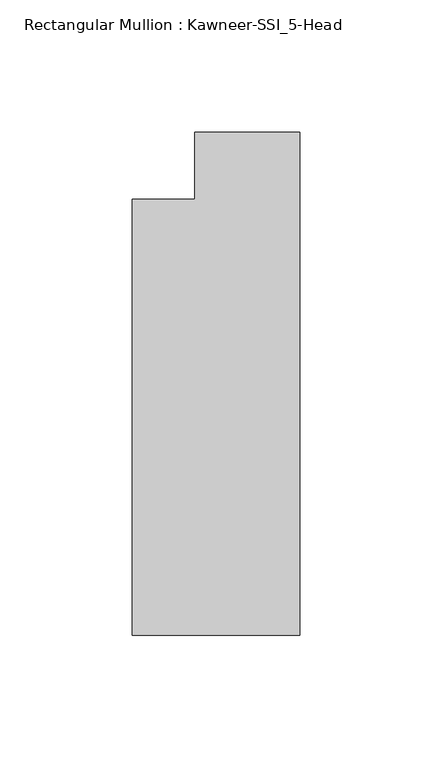
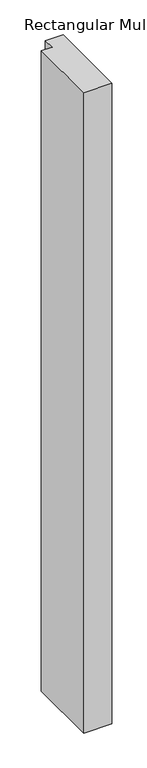
"""IFC4 building model written with IfcOpenShell, lengths in millimetres: member geometry, Rectangular Mullion : Kawneer-SSI_5-Head."""

import ifcopenshell
import ifcopenshell.guid

model = None  # the IFC model being written
_history = None  # IfcOwnerHistory: only IFC2X3 demands one
_inside = {}  # id of a spatial element -> (the spatial element, [elements in it])
_under = {}  # id of a project, library or spatial element -> (it, [spatial elements below it])
_declared = {}  # id of a project -> (the project, [libraries it declares])
_typed = {}  # id of a type object -> (the type object, [elements of that type])
_made_of = {}  # id of a material, layer set ... -> (it, [elements and type objects made of it])


def new_model(schema):
    """Start an empty IFC model of exactly this schema.

    Asked for "IFC4X3", IfcOpenShell would pick the latest addendum, in which some entities
    have other attributes; the version numbers below select the first issue.
    IFC2X3 requires an IfcOwnerHistory on every rooted entity: one is made here for all.
    """
    global model, _history
    if schema == "IFC4X3":
        model = ifcopenshell.file(schema_version=(4, 3, 0, 0))
    else:
        model = ifcopenshell.file(schema=schema)
    _inside.clear()
    _under.clear()
    _declared.clear()
    _typed.clear()
    _made_of.clear()
    _history = None
    if model.schema == "IFC2X3":
        org = make("IfcOrganization", Name="unknown")
        user = make(
            "IfcPersonAndOrganization",
            ThePerson=make("IfcPerson", FamilyName="unknown"),
            TheOrganization=org,
        )
        app = make(
            "IfcApplication",
            ApplicationDeveloper=org,
            Version="unknown",
            ApplicationFullName="unknown",
            ApplicationIdentifier="unknown",
        )
        _history = make(
            "IfcOwnerHistory",
            OwningUser=user,
            OwningApplication=app,
            ChangeAction="ADDED",
            CreationDate=0,
        )
    return model


def make(cls, **values):
    """One entity of the class cls with the attributes given. An attribute that is None is left unset."""
    return model.create_entity(
        cls, **{name: value for name, value in values.items() if value is not None}
    )


def rooted(cls, **values):
    """An entity with a GlobalId (a new one), such as an element, a storey or a relation."""
    return make(cls, GlobalId=ifcopenshell.guid.new(), OwnerHistory=_history, **values)


def si_unit(unit_type, name, prefix=None):
    """IfcSIUnit, for example si_unit("LENGTHUNIT", "METRE", prefix="MILLI")."""
    return make("IfcSIUnit", UnitType=unit_type, Prefix=prefix, Name=name)


def assignment(units):
    """IfcUnitAssignment: the units of a project."""
    return None if units is None else make("IfcUnitAssignment", Units=units)


def point(xyz):
    """IfcCartesianPoint."""
    return None if xyz is None else make("IfcCartesianPoint", Coordinates=xyz)


def direction(xyz):
    """IfcDirection."""
    return None if xyz is None else make("IfcDirection", DirectionRatios=xyz)


def frame(location, z_axis=None, x_axis=None):
    """IfcAxis2Placement3D, a coordinate frame: its origin and axes. An axis left out is left unset."""
    return make(
        "IfcAxis2Placement3D",
        Location=point(location),
        Axis=direction(z_axis),
        RefDirection=direction(x_axis),
    )


def origin():
    """The frame at (0, 0, 0) with its axes left unset."""
    return frame((0.0, 0.0, 0.0))


def place(relative_to, where):
    """IfcLocalPlacement: puts the frame where relative to a parent placement (None: the world)."""
    return make(
        "IfcLocalPlacement", PlacementRelTo=relative_to, RelativePlacement=where
    )


def context(
    kind, dimensions, precision=None, world=None, true_north=None, identifier=None
):
    """IfcGeometricRepresentationContext, for example the 3D "Model" context."""
    return make(
        "IfcGeometricRepresentationContext",
        ContextIdentifier=identifier,
        ContextType=kind,
        CoordinateSpaceDimension=dimensions,
        Precision=precision,
        WorldCoordinateSystem=world,
        TrueNorth=true_north,
    )


def project(units=None, contexts=None):
    """IfcProject with its units and contexts."""
    return rooted(
        "IfcProject",
        Name="project",
        RepresentationContexts=contexts,
        UnitsInContext=assignment(units),
    )


def spatial(cls, under=None, at=None, **own):
    """A site, building, storey or space (cls), placed at a placement, below another one or the project."""
    s = rooted(cls, ObjectPlacement=at, **own)
    if under is not None:
        _under.setdefault(under.id(), (under, []))[1].append(s)
    return s


def polyline(points):
    """IfcPolyline through the points."""
    return make("IfcPolyline", Points=[point(p) for p in points])


def outline(outer, holes=None, kind="AREA"):
    """IfcArbitraryClosedProfileDef: a profile drawn as a closed curve; with holes, ...WithVoids."""
    if holes is None:
        return make("IfcArbitraryClosedProfileDef", ProfileType=kind, OuterCurve=outer)
    return make(
        "IfcArbitraryProfileDefWithVoids",
        ProfileType=kind,
        OuterCurve=outer,
        InnerCurves=holes,
    )


def extrude(swept, where, along, depth):
    """IfcExtrudedAreaSolid: the profile swept, set in the frame where, extruded along a direction by depth."""
    return make(
        "IfcExtrudedAreaSolid",
        SweptArea=swept,
        Position=where,
        ExtrudedDirection=direction(along),
        Depth=depth,
    )


def shape(context_of_items, identifier, shape_type, items):
    """IfcShapeRepresentation: the items that make up one representation, for example the "Body"."""
    return make(
        "IfcShapeRepresentation",
        ContextOfItems=context_of_items,
        RepresentationIdentifier=identifier,
        RepresentationType=shape_type,
        Items=items,
    )


def source(mapping_origin, context_of_items, identifier, shape_type, items):
    """IfcRepresentationMap: a shape defined once, which mapped items show again and again."""
    return make(
        "IfcRepresentationMap",
        MappingOrigin=mapping_origin,
        MappedRepresentation=shape(context_of_items, identifier, shape_type, items),
    )


def transform(
    local_origin,
    x_axis=None,
    y_axis=None,
    z_axis=None,
    scale=None,
    scale2=None,
    scale3=None,
    uniform=True,
):
    """IfcCartesianTransformationOperator3D, or its non-uniform kind. x_axis, y_axis, z_axis: its Axis1, 2, 3."""
    if uniform:
        return make(
            "IfcCartesianTransformationOperator3D",
            Axis1=direction(x_axis),
            Axis2=direction(y_axis),
            LocalOrigin=point(local_origin),
            Scale=scale,
            Axis3=direction(z_axis),
        )
    return make(
        "IfcCartesianTransformationOperator3DnonUniform",
        Axis1=direction(x_axis),
        Axis2=direction(y_axis),
        LocalOrigin=point(local_origin),
        Scale=scale,
        Axis3=direction(z_axis),
        Scale2=scale2,
        Scale3=scale3,
    )


def mapped(mapping_source, mapping_target):
    """IfcMappedItem: shows the shape of a source again, moved by a transform."""
    return make(
        "IfcMappedItem", MappingSource=mapping_source, MappingTarget=mapping_target
    )


def made_of(thing, what):
    """Note that an element or type object is made of a material, layer set ...; save() writes the relation."""
    if what is not None:
        _made_of.setdefault(what.id(), (what, []))[1].append(thing)
    return thing


def element(
    cls,
    number,
    at=None,
    inside=None,
    cuts=None,
    type_object=None,
    material=None,
    context=None,
    identifier="Body",
    shape_type=None,
    held_by="IfcProductDefinitionShape",
    body=None,
    shapes=None,
    **own,
):
    """One element of the class cls, such as IfcWall. Its Tag is "e" and its number.

    at: its placement. inside: the storey or other place that contains it. cuts: it is an
    opening in that element (IfcRelVoidsElement). A single representation is given by context,
    identifier, shape_type and body (its items); several are given by shapes. held_by: the class
    of the entity that holds the representations. save() writes the other relations.
    """
    e = rooted(cls, Tag="e%d" % number, ObjectPlacement=at, **own)
    if body is not None:
        shapes = [shape(context, identifier, shape_type, body)]
    if shapes is not None:
        e.Representation = make(held_by, Representations=shapes)
    if inside is not None:
        _inside.setdefault(inside.id(), (inside, []))[1].append(e)
    if cuts is not None:
        rooted(
            "IfcRelVoidsElement", RelatingBuildingElement=cuts, RelatedOpeningElement=e
        )
    if type_object is not None:
        _typed.setdefault(type_object.id(), (type_object, []))[1].append(e)
    return made_of(e, material)


def aggregate(whole, parts):
    """IfcRelAggregates: a whole, such as a stair, and the parts it consists of."""
    return rooted("IfcRelAggregates", RelatingObject=whole, RelatedObjects=parts)


def save(model, path):
    """Write the relations noted so far, then the file.

    IfcRelAggregates (storeys below a building ...), IfcRelContainedInSpatialStructure (elements
    in a storey), IfcRelDefinesByType, IfcRelAssociatesMaterial and IfcRelDeclares: one each for
    every whole, place, type object, material and project.
    """
    for whole, parts in _under.values():
        aggregate(whole, parts)
    for where, things in _inside.values():
        rooted(
            "IfcRelContainedInSpatialStructure",
            RelatedElements=things,
            RelatingStructure=where,
        )
    for kind, things in _typed.values():
        rooted("IfcRelDefinesByType", RelatedObjects=things, RelatingType=kind)
    for what, things in _made_of.values():
        rooted("IfcRelAssociatesMaterial", RelatedObjects=things, RelatingMaterial=what)
    for by, libraries in _declared.values():
        rooted("IfcRelDeclares", RelatingContext=by, RelatedDefinitions=libraries)
    model.write(path)


def rectangular_mullion_kawneer_ssi_5_head_675211ed(model_context):
    return source(origin(), model_context, "Body", "SweptSolid", [
        extrude(outline(polyline([(-63.5, -177.8), (-63.5, -12.7), (-39.6875, -12.7), (-39.6875, 12.7), (0.0, 12.7), (0.0, -177.8), (-63.5, -177.8)])), frame((0.0, 0.0, -1524.0), z_axis=(0.0, 0.0, 1.0), x_axis=(1.0, 0.0, 0.0)), (0.0, 0.0, 1.0), 1524.0),
    ])


if __name__ == "__main__":
    model = new_model("IFC4")
    model_context = context("Model", 3, world=origin())
    ifc_project = project(units=[si_unit("LENGTHUNIT", "METRE", prefix="MILLI")], contexts=[model_context])
    site = spatial("IfcSite", under=ifc_project)
    building = spatial("IfcBuilding", under=site)
    placement = place(None, origin())
    rectangular_mullion_kawneer_ssi_5_head_shape = rectangular_mullion_kawneer_ssi_5_head_675211ed(model_context)
    element("IfcMember", 1, ObjectType="Rectangular Mullion : Kawneer-SSI_5-Head", at=placement, inside=building, context=model_context, shape_type="MappedRepresentation", body=[
        mapped(rectangular_mullion_kawneer_ssi_5_head_shape, transform((0.0, 0.0, 0.0), x_axis=(1.0, 0.0, 0.0), y_axis=(0.0, 1.0, 0.0), z_axis=(0.0, 0.0, 1.0))),
    ])
    save(model, "model.ifc")
